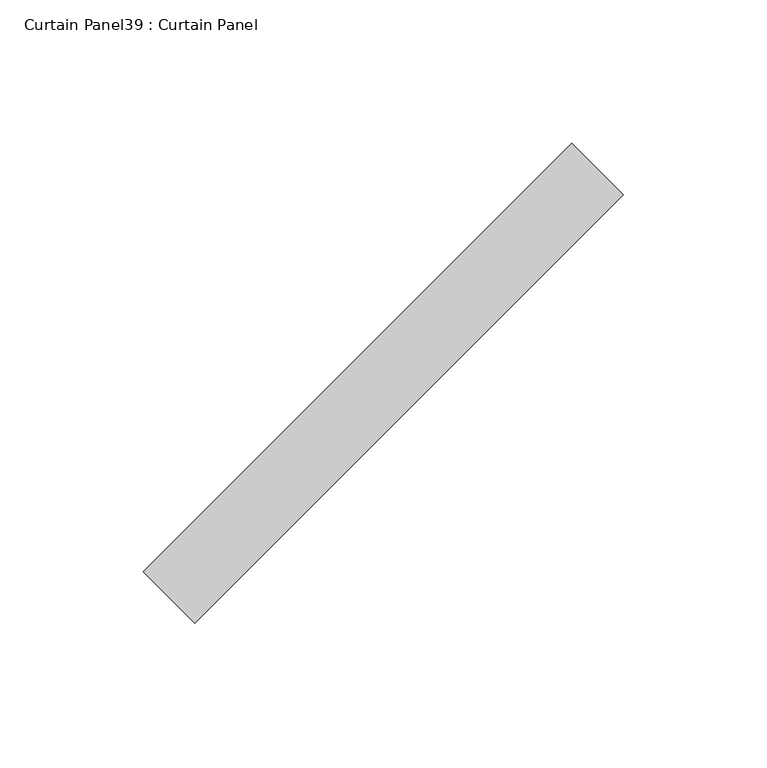
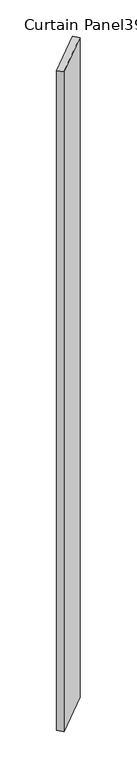
"""IFC4 building model written with IfcOpenShell, lengths in millimetres: plate geometry, Curtain Panel39 : Curtain Panel."""

from ifc_helpers import new_model, si_unit, frame, origin, place, context, project, spatial, polyline, outline, extrude, source, transform, mapped, element, save


def curtain_panel39_curtain_panel_9d8657d4(model_context):
    return source(origin(), model_context, "Body", "SweptSolid", [
        extrude(outline(polyline([(86045.3827127, 2595.0277416), (85895.7258621, 2445.370891), (85877.7653498, 2463.3314032), (86027.4222004, 2612.9882538), (86045.3827127, 2595.0277416)])), frame((0.0, 0.0, -687.1377978), z_axis=(0.0, 0.0, 1.0), x_axis=(1.0, 0.0, 0.0)), (0.0, 0.0, 1.0), 2743.2),
    ])


if __name__ == "__main__":
    model = new_model("IFC4")
    model_context = context("Model", 3, world=origin())
    ifc_project = project(units=[si_unit("LENGTHUNIT", "METRE", prefix="MILLI")], contexts=[model_context])
    site = spatial("IfcSite", under=ifc_project)
    building = spatial("IfcBuilding", under=site)
    placement = place(None, origin())
    curtain_panel39_curtain_panel_shape = curtain_panel39_curtain_panel_9d8657d4(model_context)
    element("IfcPlate", 1, ObjectType="Curtain Panel39 : Curtain Panel", at=placement, inside=building, context=model_context, shape_type="MappedRepresentation", body=[
        mapped(curtain_panel39_curtain_panel_shape, transform((0.0, 0.0, 0.0), x_axis=(1.0, 0.0, 0.0), y_axis=(0.0, 1.0, 0.0), z_axis=(0.0, 0.0, 1.0))),
    ])
    save(model, "model.ifc")
